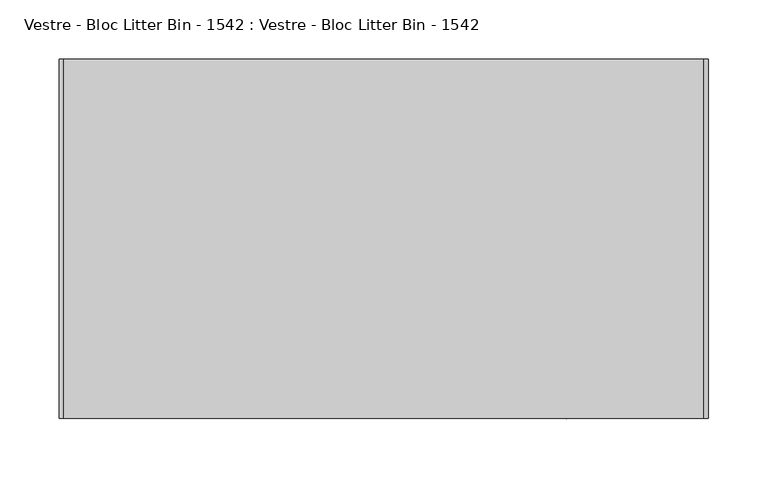
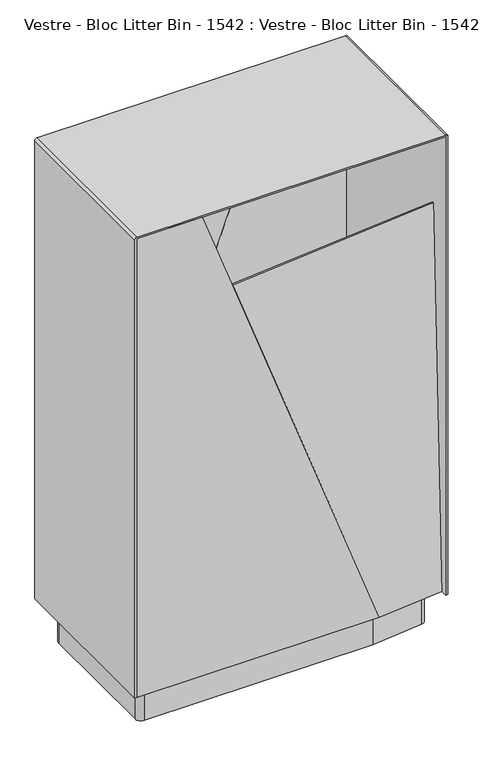
"""IFC4 building model written with IfcOpenShell, lengths in millimetres: furniture geometry, Vestre - Bloc Litter Bin - 1542 : Vestre - Bloc Litter Bin - 1542."""

from ifc_helpers import new_model, si_unit, point, frame, frame_2d, origin, origin_with_axes, place, context, project, spatial, polyline, circle_curve, trimmed, segment, composite_curve, outline, extrude, source, transform, mapped, element, save


def vestre_bloc_litter_bin_1542_vestre_bloc_litter_bin_1542_3426aa82(model_context):
    return source(origin(), model_context, "Body", "SweptSolid", [
        extrude(outline(polyline([(-270.5, 137.7565535), (-154.897871, 149.1740758), (271.5, 149.1740758), (271.5, -137.6577879), (154.897871, -149.1740758), (-270.5, -149.1740758), (-270.5, 137.7565535)])), frame((0.0, 0.0, 65.0), z_axis=(0.0, 0.0, 1.0), x_axis=(1.0, 0.0, 0.0)), (0.0, 0.0, 1.0), 9.9592479),
        extrude(outline(polyline([(64.9997248, 271.5), (917.0, 271.5), (917.0, 155.9), (65.1171498, -155.1991527), (64.9997248, 271.5)])), frame((0.0, 149.25, 0.0), z_axis=(0.0, 1.0, 0.0), x_axis=(0.0, 0.0, 1.0)), (0.0, 0.0, 1.0), 3.0),
        extrude(outline(polyline([(752.3104603, 0.0), (623.7538599, -354.611758), (-40.247271, -110.7971063), (-0.0070612, 1e-07), (752.3104603, 0.0)])), frame((-154.8954489, 149.1740765, 65.0066328), z_axis=(-0.09822462559456396, 0.9945218953682895, 0.035750839988354696), x_axis=(0.34302093272528006, 0.00011195982877926703, 0.9393277527983913)), (0.0, 0.0, 1.0), 3.0),
        extrude(outline(composite_curve([segment(polyline([(-255.5, -119.75), (-255.5, 112.735536)]), True, "CONTINUOUS"), segment(trimmed(circle_curve(frame_2d((-245.5, 112.735536)), 10.0), [point((-255.5, 112.735536))], [point((-246.5452846, 122.680755))], False, "CARTESIAN"), True, "CONTINUOUS"), segment(polyline([(-246.5452846, 122.680755), (-155.5, 132.25), (246.5, 132.25)]), True, "CONTINUOUS"), segment(trimmed(circle_curve(frame_2d((246.5, 122.25)), 10.0), [point((246.5, 132.25))], [point((256.5, 122.25))], False, "CARTESIAN"), True, "CONTINUOUS"), segment(polyline([(256.5, 122.25), (256.5, -110.235536)]), True, "CONTINUOUS"), segment(trimmed(circle_curve(frame_2d((246.5, -110.235536)), 10.0), [point((256.5, -110.235536))], [point((247.5452846, -120.180755))], False, "CARTESIAN"), True, "CONTINUOUS"), segment(polyline([(247.5452846, -120.180755), (156.5, -129.75), (-245.5, -129.75)]), True, "CONTINUOUS"), segment(trimmed(circle_curve(frame_2d((-245.5, -119.75)), 10.0), [point((-245.5, -129.75))], [point((-255.5, -119.75))], False, "CARTESIAN"), True, "CONTINUOUS")], self_intersect=False)), origin_with_axes(), (0.0, 0.0, 1.0), 65.0745775),
        extrude(outline(polyline([(752.3104603, 0.0), (623.7538599, -354.611758), (-40.247271, -110.7971063), (-0.0070612, 1e-07), (752.3104603, 0.0)])), frame((154.8954489, -149.1740765, 65.0066328), z_axis=(0.09822462559456396, -0.9945218953682895, 0.03575083998835469), x_axis=(-0.34302093272527995, -0.00011195982877926014, 0.9393277527983913)), (0.0, 0.0, 1.0), 3.0),
        extrude(outline(polyline([(65.0, -270.5), (65.1171498, 155.1991527), (917.0, -155.9), (917.0, -270.5), (65.0, -270.5)])), frame((0.0, -152.25, 0.0), z_axis=(0.0, 1.0, 0.0), x_axis=(0.0, 0.0, 1.0)), (0.0, 0.0, 1.0), 3.0),
        extrude(outline(composite_curve([segment(polyline([(65.0, -270.5), (917.0, -270.5), (917.0, 271.5), (65.0, 271.5), (65.0, 275.5), (916.0, 275.5)]), True, "CONTINUOUS"), segment(trimmed(circle_curve(frame_2d((916.0, 271.5)), 4.0), [point((916.0, 275.5))], [point((920.0, 271.5))], False, "CARTESIAN"), True, "CONTINUOUS"), segment(polyline([(920.0, 271.5), (920.0, -270.4822768)]), True, "CONTINUOUS"), segment(trimmed(circle_curve(frame_2d((915.9822768, -270.4822768)), 4.0177232), [point((920.0, -270.4822768))], [point((915.9822768, -274.5))], False, "CARTESIAN"), True, "CONTINUOUS"), segment(polyline([(915.9822768, -274.5), (65.0, -274.5), (65.0, -270.5)]), True, "CONTINUOUS")], self_intersect=False)), frame((0.0, -152.25, 0.0), z_axis=(0.0, 1.0, 0.0), x_axis=(0.0, 0.0, 1.0)), (0.0, 0.0, 1.0), 304.5),
    ])


if __name__ == "__main__":
    model = new_model("IFC4")
    model_context = context("Model", 3, world=origin())
    ifc_project = project(units=[si_unit("LENGTHUNIT", "METRE", prefix="MILLI")], contexts=[model_context])
    site = spatial("IfcSite", under=ifc_project)
    building = spatial("IfcBuilding", under=site)
    placement = place(None, origin())
    vestre_bloc_litter_bin_1542_vestre_bloc_litter_bin_1542_shape = vestre_bloc_litter_bin_1542_vestre_bloc_litter_bin_1542_3426aa82(model_context)
    element("IfcFurniture", 1, ObjectType="Vestre - Bloc Litter Bin - 1542 : Vestre - Bloc Litter Bin - 1542", at=placement, inside=building, context=model_context, shape_type="MappedRepresentation", body=[
        mapped(vestre_bloc_litter_bin_1542_vestre_bloc_litter_bin_1542_shape, transform((0.0, 0.0, 0.0), x_axis=(1.0, 0.0, 0.0), y_axis=(0.0, 1.0, 0.0), z_axis=(0.0, 0.0, 1.0))),
    ])
    save(model, "model.ifc")
